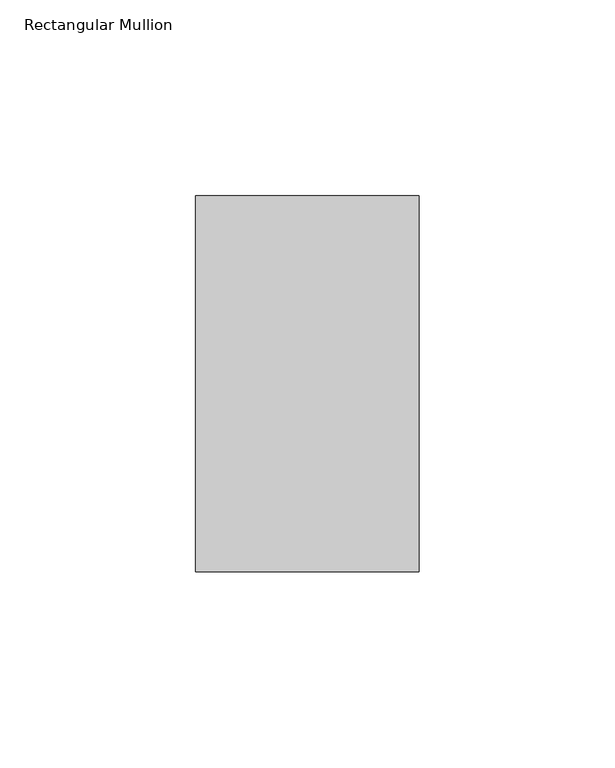
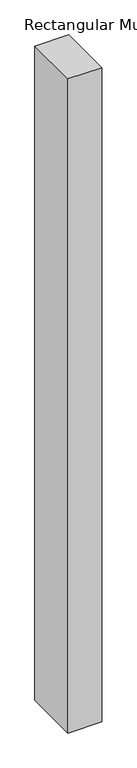
"""IFC4 building model written with IfcOpenShell, lengths in millimetres: member geometry, Rectangular Mullion."""

import ifcopenshell
import ifcopenshell.guid

model = None  # the IFC model being written
_history = None  # IfcOwnerHistory: only IFC2X3 demands one
_inside = {}  # id of a spatial element -> (the spatial element, [elements in it])
_under = {}  # id of a project, library or spatial element -> (it, [spatial elements below it])
_declared = {}  # id of a project -> (the project, [libraries it declares])
_typed = {}  # id of a type object -> (the type object, [elements of that type])
_made_of = {}  # id of a material, layer set ... -> (it, [elements and type objects made of it])


def new_model(schema):
    """Start an empty IFC model of exactly this schema.

    Asked for "IFC4X3", IfcOpenShell would pick the latest addendum, in which some entities
    have other attributes; the version numbers below select the first issue.
    IFC2X3 requires an IfcOwnerHistory on every rooted entity: one is made here for all.
    """
    global model, _history
    if schema == "IFC4X3":
        model = ifcopenshell.file(schema_version=(4, 3, 0, 0))
    else:
        model = ifcopenshell.file(schema=schema)
    _inside.clear()
    _under.clear()
    _declared.clear()
    _typed.clear()
    _made_of.clear()
    _history = None
    if model.schema == "IFC2X3":
        org = make("IfcOrganization", Name="unknown")
        user = make(
            "IfcPersonAndOrganization",
            ThePerson=make("IfcPerson", FamilyName="unknown"),
            TheOrganization=org,
        )
        app = make(
            "IfcApplication",
            ApplicationDeveloper=org,
            Version="unknown",
            ApplicationFullName="unknown",
            ApplicationIdentifier="unknown",
        )
        _history = make(
            "IfcOwnerHistory",
            OwningUser=user,
            OwningApplication=app,
            ChangeAction="ADDED",
            CreationDate=0,
        )
    return model


def make(cls, **values):
    """One entity of the class cls with the attributes given. An attribute that is None is left unset."""
    return model.create_entity(
        cls, **{name: value for name, value in values.items() if value is not None}
    )


def rooted(cls, **values):
    """An entity with a GlobalId (a new one), such as an element, a storey or a relation."""
    return make(cls, GlobalId=ifcopenshell.guid.new(), OwnerHistory=_history, **values)


def si_unit(unit_type, name, prefix=None):
    """IfcSIUnit, for example si_unit("LENGTHUNIT", "METRE", prefix="MILLI")."""
    return make("IfcSIUnit", UnitType=unit_type, Prefix=prefix, Name=name)


def assignment(units):
    """IfcUnitAssignment: the units of a project."""
    return None if units is None else make("IfcUnitAssignment", Units=units)


def point(xyz):
    """IfcCartesianPoint."""
    return None if xyz is None else make("IfcCartesianPoint", Coordinates=xyz)


def direction(xyz):
    """IfcDirection."""
    return None if xyz is None else make("IfcDirection", DirectionRatios=xyz)


def frame(location, z_axis=None, x_axis=None):
    """IfcAxis2Placement3D, a coordinate frame: its origin and axes. An axis left out is left unset."""
    return make(
        "IfcAxis2Placement3D",
        Location=point(location),
        Axis=direction(z_axis),
        RefDirection=direction(x_axis),
    )


def origin():
    """The frame at (0, 0, 0) with its axes left unset."""
    return frame((0.0, 0.0, 0.0))


def place(relative_to, where):
    """IfcLocalPlacement: puts the frame where relative to a parent placement (None: the world)."""
    return make(
        "IfcLocalPlacement", PlacementRelTo=relative_to, RelativePlacement=where
    )


def context(
    kind, dimensions, precision=None, world=None, true_north=None, identifier=None
):
    """IfcGeometricRepresentationContext, for example the 3D "Model" context."""
    return make(
        "IfcGeometricRepresentationContext",
        ContextIdentifier=identifier,
        ContextType=kind,
        CoordinateSpaceDimension=dimensions,
        Precision=precision,
        WorldCoordinateSystem=world,
        TrueNorth=true_north,
    )


def project(units=None, contexts=None):
    """IfcProject with its units and contexts."""
    return rooted(
        "IfcProject",
        Name="project",
        RepresentationContexts=contexts,
        UnitsInContext=assignment(units),
    )


def spatial(cls, under=None, at=None, **own):
    """A site, building, storey or space (cls), placed at a placement, below another one or the project."""
    s = rooted(cls, ObjectPlacement=at, **own)
    if under is not None:
        _under.setdefault(under.id(), (under, []))[1].append(s)
    return s


def polyline(points):
    """IfcPolyline through the points."""
    return make("IfcPolyline", Points=[point(p) for p in points])


def outline(outer, holes=None, kind="AREA"):
    """IfcArbitraryClosedProfileDef: a profile drawn as a closed curve; with holes, ...WithVoids."""
    if holes is None:
        return make("IfcArbitraryClosedProfileDef", ProfileType=kind, OuterCurve=outer)
    return make(
        "IfcArbitraryProfileDefWithVoids",
        ProfileType=kind,
        OuterCurve=outer,
        InnerCurves=holes,
    )


def extrude(swept, where, along, depth):
    """IfcExtrudedAreaSolid: the profile swept, set in the frame where, extruded along a direction by depth."""
    return make(
        "IfcExtrudedAreaSolid",
        SweptArea=swept,
        Position=where,
        ExtrudedDirection=direction(along),
        Depth=depth,
    )


def shape(context_of_items, identifier, shape_type, items):
    """IfcShapeRepresentation: the items that make up one representation, for example the "Body"."""
    return make(
        "IfcShapeRepresentation",
        ContextOfItems=context_of_items,
        RepresentationIdentifier=identifier,
        RepresentationType=shape_type,
        Items=items,
    )


def source(mapping_origin, context_of_items, identifier, shape_type, items):
    """IfcRepresentationMap: a shape defined once, which mapped items show again and again."""
    return make(
        "IfcRepresentationMap",
        MappingOrigin=mapping_origin,
        MappedRepresentation=shape(context_of_items, identifier, shape_type, items),
    )


def transform(
    local_origin,
    x_axis=None,
    y_axis=None,
    z_axis=None,
    scale=None,
    scale2=None,
    scale3=None,
    uniform=True,
):
    """IfcCartesianTransformationOperator3D, or its non-uniform kind. x_axis, y_axis, z_axis: its Axis1, 2, 3."""
    if uniform:
        return make(
            "IfcCartesianTransformationOperator3D",
            Axis1=direction(x_axis),
            Axis2=direction(y_axis),
            LocalOrigin=point(local_origin),
            Scale=scale,
            Axis3=direction(z_axis),
        )
    return make(
        "IfcCartesianTransformationOperator3DnonUniform",
        Axis1=direction(x_axis),
        Axis2=direction(y_axis),
        LocalOrigin=point(local_origin),
        Scale=scale,
        Axis3=direction(z_axis),
        Scale2=scale2,
        Scale3=scale3,
    )


def mapped(mapping_source, mapping_target):
    """IfcMappedItem: shows the shape of a source again, moved by a transform."""
    return make(
        "IfcMappedItem", MappingSource=mapping_source, MappingTarget=mapping_target
    )


def made_of(thing, what):
    """Note that an element or type object is made of a material, layer set ...; save() writes the relation."""
    if what is not None:
        _made_of.setdefault(what.id(), (what, []))[1].append(thing)
    return thing


def element(
    cls,
    number,
    at=None,
    inside=None,
    cuts=None,
    type_object=None,
    material=None,
    context=None,
    identifier="Body",
    shape_type=None,
    held_by="IfcProductDefinitionShape",
    body=None,
    shapes=None,
    **own,
):
    """One element of the class cls, such as IfcWall. Its Tag is "e" and its number.

    at: its placement. inside: the storey or other place that contains it. cuts: it is an
    opening in that element (IfcRelVoidsElement). A single representation is given by context,
    identifier, shape_type and body (its items); several are given by shapes. held_by: the class
    of the entity that holds the representations. save() writes the other relations.
    """
    e = rooted(cls, Tag="e%d" % number, ObjectPlacement=at, **own)
    if body is not None:
        shapes = [shape(context, identifier, shape_type, body)]
    if shapes is not None:
        e.Representation = make(held_by, Representations=shapes)
    if inside is not None:
        _inside.setdefault(inside.id(), (inside, []))[1].append(e)
    if cuts is not None:
        rooted(
            "IfcRelVoidsElement", RelatingBuildingElement=cuts, RelatedOpeningElement=e
        )
    if type_object is not None:
        _typed.setdefault(type_object.id(), (type_object, []))[1].append(e)
    return made_of(e, material)


def aggregate(whole, parts):
    """IfcRelAggregates: a whole, such as a stair, and the parts it consists of."""
    return rooted("IfcRelAggregates", RelatingObject=whole, RelatedObjects=parts)


def save(model, path):
    """Write the relations noted so far, then the file.

    IfcRelAggregates (storeys below a building ...), IfcRelContainedInSpatialStructure (elements
    in a storey), IfcRelDefinesByType, IfcRelAssociatesMaterial and IfcRelDeclares: one each for
    every whole, place, type object, material and project.
    """
    for whole, parts in _under.values():
        aggregate(whole, parts)
    for where, things in _inside.values():
        rooted(
            "IfcRelContainedInSpatialStructure",
            RelatedElements=things,
            RelatingStructure=where,
        )
    for kind, things in _typed.values():
        rooted("IfcRelDefinesByType", RelatedObjects=things, RelatingType=kind)
    for what, things in _made_of.values():
        rooted("IfcRelAssociatesMaterial", RelatedObjects=things, RelatingMaterial=what)
    for by, libraries in _declared.values():
        rooted("IfcRelDeclares", RelatingContext=by, RelatedDefinitions=libraries)
    model.write(path)


def rectangular_mullion_3a77d182(model_context):
    return source(origin(), model_context, "Body", "SweptSolid", [
        extrude(outline(polyline([(-28.575, 55.959375), (-28.575, 151.971375), (28.575, 151.971375), (28.575, 55.959375), (-28.575, 55.959375)])), frame((0.0, 0.0, -1162.05), z_axis=(0.0, 0.0, 1.0), x_axis=(1.0, 0.0, 0.0)), (0.0, 0.0, 1.0), 1162.05),
    ])


if __name__ == "__main__":
    model = new_model("IFC4")
    model_context = context("Model", 3, world=origin())
    ifc_project = project(units=[si_unit("LENGTHUNIT", "METRE", prefix="MILLI")], contexts=[model_context])
    site = spatial("IfcSite", under=ifc_project)
    building = spatial("IfcBuilding", under=site)
    placement = place(None, origin())
    rectangular_mullion_shape = rectangular_mullion_3a77d182(model_context)
    element("IfcMember", 1, ObjectType="Rectangular Mullion", at=placement, inside=building, context=model_context, shape_type="MappedRepresentation", body=[
        mapped(rectangular_mullion_shape, transform((0.0, 0.0, 0.0), x_axis=(1.0, 0.0, 0.0), y_axis=(0.0, 1.0, 0.0), z_axis=(0.0, 0.0, 1.0))),
    ])
    save(model, "model.ifc")
